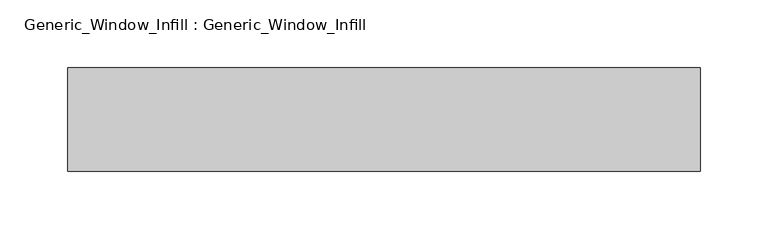
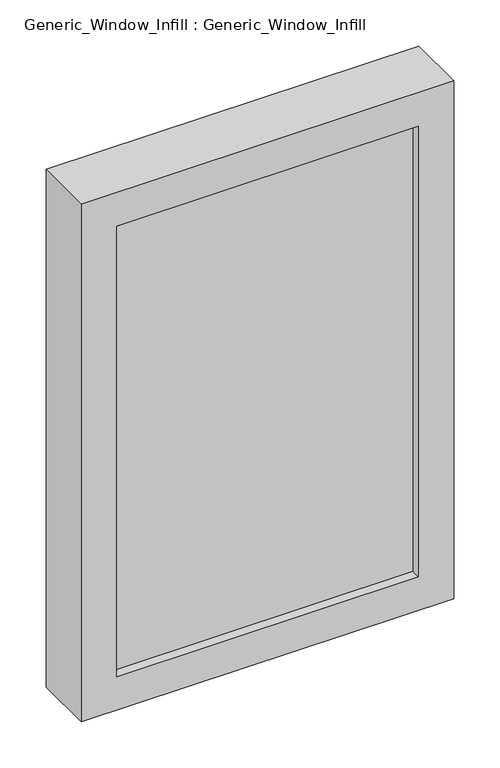
"""IFC4 building model written with IfcOpenShell, lengths in millimetres: plate geometry, Generic_Window_Infill : Generic_Window_Infill."""

from ifc_helpers import new_model, si_unit, frame, origin, place, context, project, spatial, polyline, outline, extrude, source, transform, mapped, element, save


def generic_window_infill_generic_window_infill_e23acdca(model_context):
    return source(origin(), model_context, "Body", "SweptSolid", [
        extrude(outline(polyline([(188.9125, 12.0261239), (-188.9125, 12.0261239), (-188.9125, 42.4497356), (188.9125, 42.4497356), (188.9125, 12.0261239)])), frame((0.0, 0.0, 44.45), z_axis=(0.0, 0.0, 1.0), x_axis=(1.0, 0.0, 0.0)), (0.0, 0.0, 1.0), 596.9),
        extrude(outline(polyline([(685.8, 233.3625), (685.8, -233.3625), (0.0, -233.3625), (0.0, 233.3625), (685.8, 233.3625)]), holes=[polyline([(44.45, 188.9125), (44.45, -188.9125), (641.35, -188.9125), (641.35, 188.9125), (44.45, 188.9125)])]), frame((0.0, 0.0, 0.0), z_axis=(0.0, 1.0, 0.0), x_axis=(0.0, 0.0, 1.0)), (0.0, 0.0, 1.0), 76.2),
    ])


if __name__ == "__main__":
    model = new_model("IFC4")
    model_context = context("Model", 3, world=origin())
    ifc_project = project(units=[si_unit("LENGTHUNIT", "METRE", prefix="MILLI")], contexts=[model_context])
    site = spatial("IfcSite", under=ifc_project)
    building = spatial("IfcBuilding", under=site)
    placement = place(None, origin())
    generic_window_infill_generic_window_infill_shape = generic_window_infill_generic_window_infill_e23acdca(model_context)
    element("IfcPlate", 1, ObjectType="Generic_Window_Infill : Generic_Window_Infill", at=placement, inside=building, context=model_context, shape_type="MappedRepresentation", body=[
        mapped(generic_window_infill_generic_window_infill_shape, transform((0.0, 0.0, 0.0), x_axis=(1.0, 0.0, 0.0), y_axis=(0.0, 1.0, 0.0), z_axis=(0.0, 0.0, 1.0))),
    ])
    save(model, "model.ifc")
